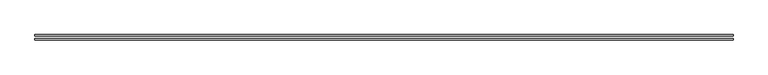
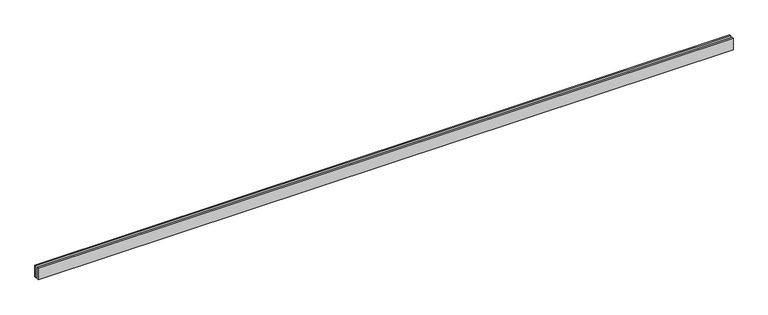
"""IFC4 building model written with IfcOpenShell, lengths in millimetres: proxy geometry."""

from ifc_helpers import new_model, si_unit, origin, origin_with_axes, place, context, project, spatial, polyline, outline, extrude, source, transform, mapped, element, save


def generic_models_9561d31a(model_context):
    return source(origin(), model_context, "Body", "SweptSolid", [
        extrude(outline(polyline([(14135.0, -25.0), (14135.0, -55.0), (0.0, -55.0), (0.0, -25.0), (14135.0, -25.0)])), origin_with_axes(), (0.0, 0.0, 1.0), 250.0),
        extrude(outline(polyline([(14135.0, 55.0), (14135.0, 25.0), (0.0, 25.0), (0.0, 55.0), (14135.0, 55.0)])), origin_with_axes(), (0.0, 0.0, 1.0), 250.0),
    ])


if __name__ == "__main__":
    model = new_model("IFC4")
    model_context = context("Model", 3, world=origin())
    ifc_project = project(units=[si_unit("LENGTHUNIT", "METRE", prefix="MILLI")], contexts=[model_context])
    site = spatial("IfcSite", under=ifc_project)
    building = spatial("IfcBuilding", under=site)
    placement = place(None, origin())
    generic_models_shape = generic_models_9561d31a(model_context)
    element("IfcBuildingElementProxy", 1, Name="Generic Models", at=placement, inside=building, context=model_context, shape_type="MappedRepresentation", body=[
        mapped(generic_models_shape, transform((0.0, 0.0, 0.0), x_axis=(1.0, 0.0, 0.0), y_axis=(0.0, 1.0, 0.0), z_axis=(0.0, 0.0, 1.0))),
    ])
    save(model, "model.ifc")
